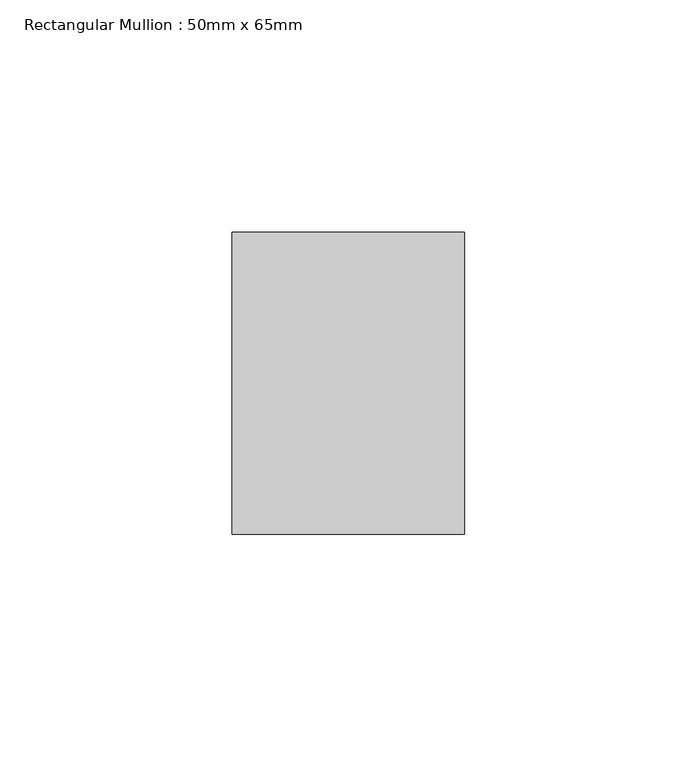
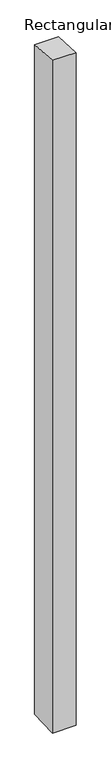
"""IFC4 building model written with IfcOpenShell, lengths in millimetres: member geometry, Rectangular Mullion : 50mm x 65mm."""

from ifc_helpers import new_model, si_unit, frame, origin, place, context, project, spatial, polyline, outline, extrude, source, transform, mapped, element, save


def rectangular_mullion_50mm_x_65mm_1f837d9b(model_context):
    return source(origin(), model_context, "Body", "SweptSolid", [
        extrude(outline(polyline([(-32.5, 2.165977), (32.5, -2.1659769), (32.5, -1498.7588358), (-32.5, -1501.2410179), (-32.5, 2.165977)])), frame((-25.0, 0.0, 0.0), z_axis=(1.0, 0.0, 0.0), x_axis=(0.0, 1.0, 0.0)), (0.0, 0.0, 1.0), 50.0),
    ])


if __name__ == "__main__":
    model = new_model("IFC4")
    model_context = context("Model", 3, world=origin())
    ifc_project = project(units=[si_unit("LENGTHUNIT", "METRE", prefix="MILLI")], contexts=[model_context])
    site = spatial("IfcSite", under=ifc_project)
    building = spatial("IfcBuilding", under=site)
    placement = place(None, origin())
    rectangular_mullion_50mm_x_65mm_shape = rectangular_mullion_50mm_x_65mm_1f837d9b(model_context)
    element("IfcMember", 1, ObjectType="Rectangular Mullion : 50mm x 65mm", at=placement, inside=building, context=model_context, shape_type="MappedRepresentation", body=[
        mapped(rectangular_mullion_50mm_x_65mm_shape, transform((0.0, 0.0, 0.0), x_axis=(1.0, 0.0, 0.0), y_axis=(0.0, 1.0, 0.0), z_axis=(0.0, 0.0, 1.0))),
    ])
    save(model, "model.ifc")
